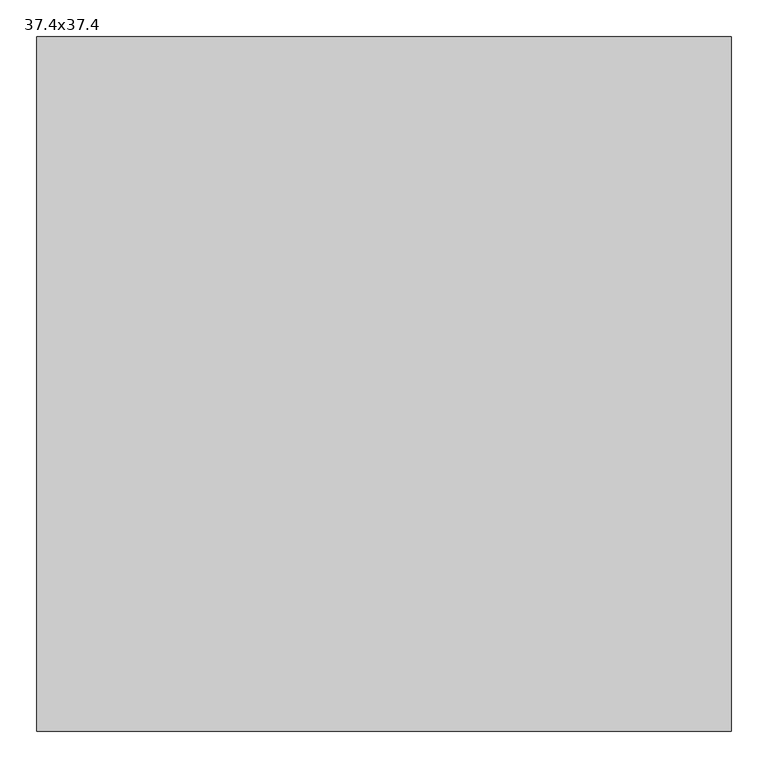
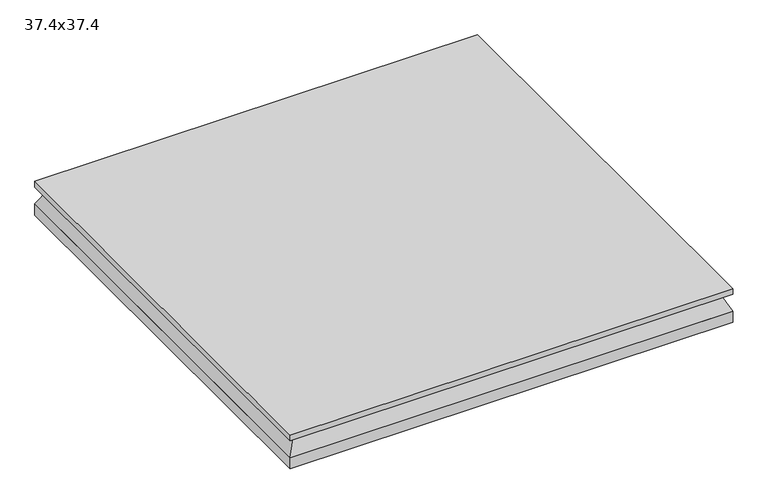
"""IFC4 building model written with IfcOpenShell, lengths in millimetres: air terminal geometry, 37.4x37.4."""

from ifc_helpers import new_model, si_unit, frame, origin, origin_with_axes, place, context, project, spatial, polyline, outline, extrude, faceted_brep, source, transform, mapped, element, save


def air_terminal_37_4x37_4_f8664550(model_context):
    return source(origin(), model_context, "Body", "SolidModel", [
        faceted_brep([(-455.93, -455.93, 0.0), (455.93, -455.93, 0.0), (455.93, 455.93, 0.0), (-455.93, 455.93, 0.0), (-474.9601562, -474.9601563, -38.1), (-474.9601562, 474.9601562, -38.1), (474.9601563, 474.9601562, -38.1), (474.9601563, -474.9601563, -38.1)], [[[0, 1, 2, 3]], [[4, 5, 6, 7]], [[4, 7, 1, 0]], [[7, 6, 2, 1]], [[6, 5, 3, 2]], [[5, 4, 0, 3]]]),
        extrude(outline(polyline([(474.98, 474.98), (474.98, -474.98), (-474.98, -474.98), (-474.98, 474.98), (474.98, 474.98)])), origin_with_axes(), (0.0, 0.0, 1.0), 12.7),
        extrude(outline(polyline([(-474.9601562, 474.9601562), (474.9601563, 474.9601562), (474.9601563, -474.9601563), (-474.9601562, -474.9601563), (-474.9601562, 474.9601562)])), frame((0.0, 0.0, -63.5), z_axis=(0.0, 0.0, 1.0), x_axis=(1.0, 0.0, 0.0)), (0.0, 0.0, 1.0), 25.4),
    ])


if __name__ == "__main__":
    model = new_model("IFC4")
    model_context = context("Model", 3, world=origin())
    ifc_project = project(units=[si_unit("LENGTHUNIT", "METRE", prefix="MILLI")], contexts=[model_context])
    site = spatial("IfcSite", under=ifc_project)
    building = spatial("IfcBuilding", under=site)
    placement = place(None, origin())
    air_terminal_37_4x37_4_shape = air_terminal_37_4x37_4_f8664550(model_context)
    element("IfcAirTerminal", 1, ObjectType="37.4x37.4", at=placement, inside=building, context=model_context, shape_type="MappedRepresentation", body=[
        mapped(air_terminal_37_4x37_4_shape, transform((0.0, 0.0, 0.0), x_axis=(1.0, 0.0, 0.0), y_axis=(0.0, 1.0, 0.0), z_axis=(0.0, 0.0, 1.0))),
    ])
    save(model, "model.ifc")
